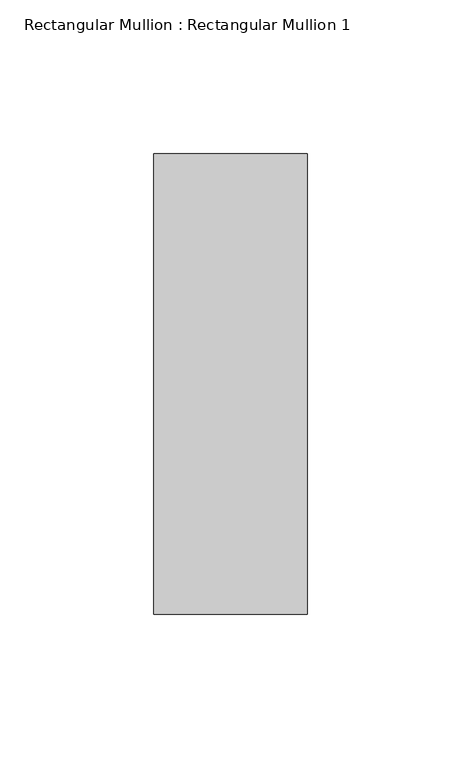
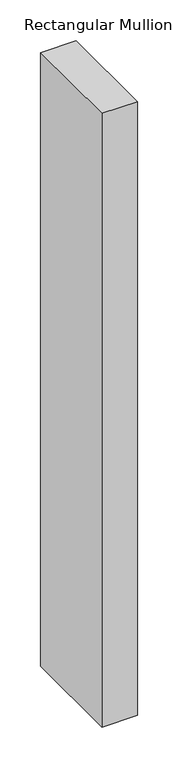
"""IFC4 building model written with IfcOpenShell, lengths in millimetres: member geometry, Rectangular Mullion : Rectangular Mullion 1."""

from ifc_helpers import new_model, si_unit, frame, origin, place, context, project, spatial, polyline, outline, extrude, source, transform, mapped, element, save


def rectangular_mullion_rectangular_mullion_1_dacbbbe8(model_context):
    return source(origin(), model_context, "Body", "SweptSolid", [
        extrude(outline(polyline([(0.0, 75.0), (0.0, -75.0), (-50.0, -75.0), (-50.0, 75.0), (0.0, 75.0)])), frame((0.0, 0.0, -916.6666667), z_axis=(0.0, 0.0, 1.0), x_axis=(1.0, 0.0, 0.0)), (0.0, 0.0, 1.0), 916.6666667),
    ])


if __name__ == "__main__":
    model = new_model("IFC4")
    model_context = context("Model", 3, world=origin())
    ifc_project = project(units=[si_unit("LENGTHUNIT", "METRE", prefix="MILLI")], contexts=[model_context])
    site = spatial("IfcSite", under=ifc_project)
    building = spatial("IfcBuilding", under=site)
    placement = place(None, origin())
    rectangular_mullion_rectangular_mullion_1_shape = rectangular_mullion_rectangular_mullion_1_dacbbbe8(model_context)
    element("IfcMember", 1, ObjectType="Rectangular Mullion : Rectangular Mullion 1", at=placement, inside=building, context=model_context, shape_type="MappedRepresentation", body=[
        mapped(rectangular_mullion_rectangular_mullion_1_shape, transform((0.0, 0.0, 0.0), x_axis=(1.0, 0.0, 0.0), y_axis=(0.0, 1.0, 0.0), z_axis=(0.0, 0.0, 1.0))),
    ])
    save(model, "model.ifc")
